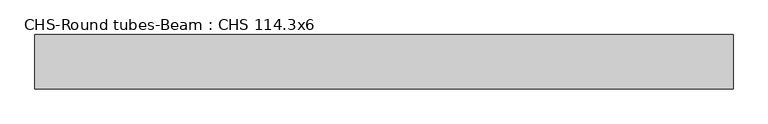
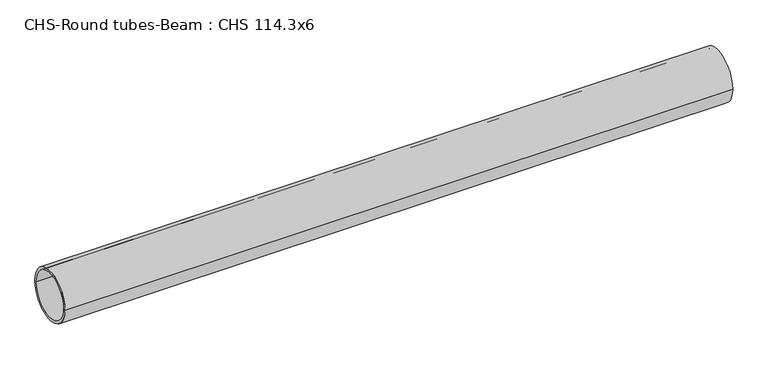
"""IFC4 building model written with IfcOpenShell, lengths in millimetres: beam geometry, CHS-Round tubes-Beam : CHS 114.3x6."""

from ifc_helpers import new_model, si_unit, point, frame, origin, origin_2d, place, context, project, spatial, circle_curve, trimmed, segment, composite_curve, outline, extrude, source, transform, mapped, element, save


def chs_round_tubes_beam_chs_114_3x6_7884d96f(model_context):
    return source(origin(), model_context, "Body", "SweptSolid", [
        extrude(outline(composite_curve([segment(trimmed(circle_curve(origin_2d(), 57.15), [point((57.15, 0.0))], [point((-57.15, 0.0))], False, "CARTESIAN"), True, "CONTINUOUS"), segment(trimmed(circle_curve(origin_2d(), 57.15), [point((-57.15, 0.0))], [point((57.15, 0.0))], False, "CARTESIAN"), True, "CONTINUOUS")], self_intersect=False), holes=[composite_curve([segment(trimmed(circle_curve(origin_2d(), 51.15), [point((51.15, 0.0))], [point((-51.15, 0.0))], True, "CARTESIAN"), True, "CONTINUOUS"), segment(trimmed(circle_curve(origin_2d(), 51.15), [point((-51.15, 0.0))], [point((51.15, 0.0))], True, "CARTESIAN"), True, "CONTINUOUS")], self_intersect=False)]), frame((-703.1016983, 0.0, 0.0), z_axis=(1.0, 0.0, 0.0), x_axis=(0.0, 1.0, 0.0)), (0.0, 0.0, 1.0), 1467.8837164),
    ])


if __name__ == "__main__":
    model = new_model("IFC4")
    model_context = context("Model", 3, world=origin())
    ifc_project = project(units=[si_unit("LENGTHUNIT", "METRE", prefix="MILLI")], contexts=[model_context])
    site = spatial("IfcSite", under=ifc_project)
    building = spatial("IfcBuilding", under=site)
    placement = place(None, origin())
    chs_round_tubes_beam_chs_114_3x6_shape = chs_round_tubes_beam_chs_114_3x6_7884d96f(model_context)
    element("IfcBeam", 1, ObjectType="CHS-Round tubes-Beam : CHS 114.3x6", at=placement, inside=building, context=model_context, shape_type="MappedRepresentation", body=[
        mapped(chs_round_tubes_beam_chs_114_3x6_shape, transform((0.0, 0.0, 0.0), x_axis=(1.0, 0.0, 0.0), y_axis=(0.0, 1.0, 0.0), z_axis=(0.0, 0.0, 1.0))),
    ])
    save(model, "model.ifc")
